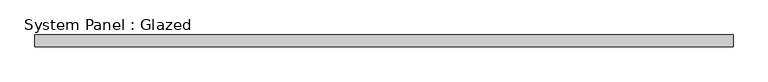
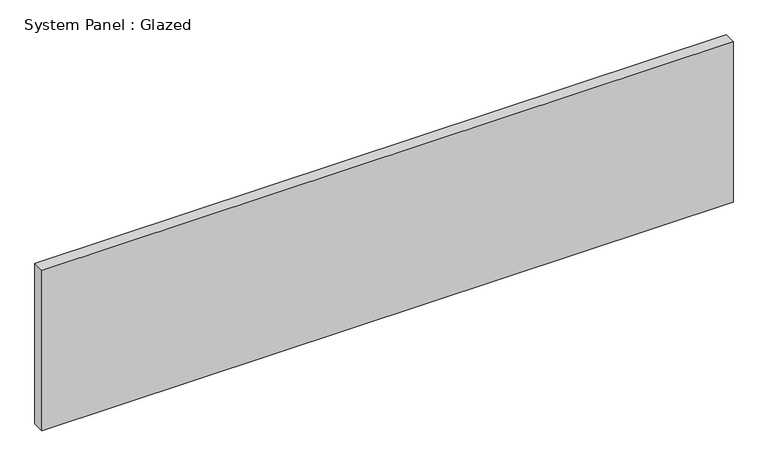
"""IFC4 building model written with IfcOpenShell, lengths in millimetres: plate geometry, System Panel : Glazed."""

from ifc_helpers import new_model, si_unit, origin, origin_with_axes, place, context, project, spatial, polyline, outline, extrude, source, transform, mapped, element, save


def system_panel_glazed_3ccbe376(model_context):
    return source(origin(), model_context, "Body", "SweptSolid", [
        extrude(outline(polyline([(736.6, -12.7), (-736.6, -12.7), (-736.6, 12.7), (736.6, 12.7), (736.6, -12.7)])), origin_with_axes(), (0.0, 0.0, 1.0), 361.45),
    ])


if __name__ == "__main__":
    model = new_model("IFC4")
    model_context = context("Model", 3, world=origin())
    ifc_project = project(units=[si_unit("LENGTHUNIT", "METRE", prefix="MILLI")], contexts=[model_context])
    site = spatial("IfcSite", under=ifc_project)
    building = spatial("IfcBuilding", under=site)
    placement = place(None, origin())
    system_panel_glazed_shape = system_panel_glazed_3ccbe376(model_context)
    element("IfcPlate", 1, ObjectType="System Panel : Glazed", at=placement, inside=building, context=model_context, shape_type="MappedRepresentation", body=[
        mapped(system_panel_glazed_shape, transform((0.0, 0.0, 0.0), x_axis=(1.0, 0.0, 0.0), y_axis=(0.0, 1.0, 0.0), z_axis=(0.0, 0.0, 1.0))),
    ])
    save(model, "model.ifc")
